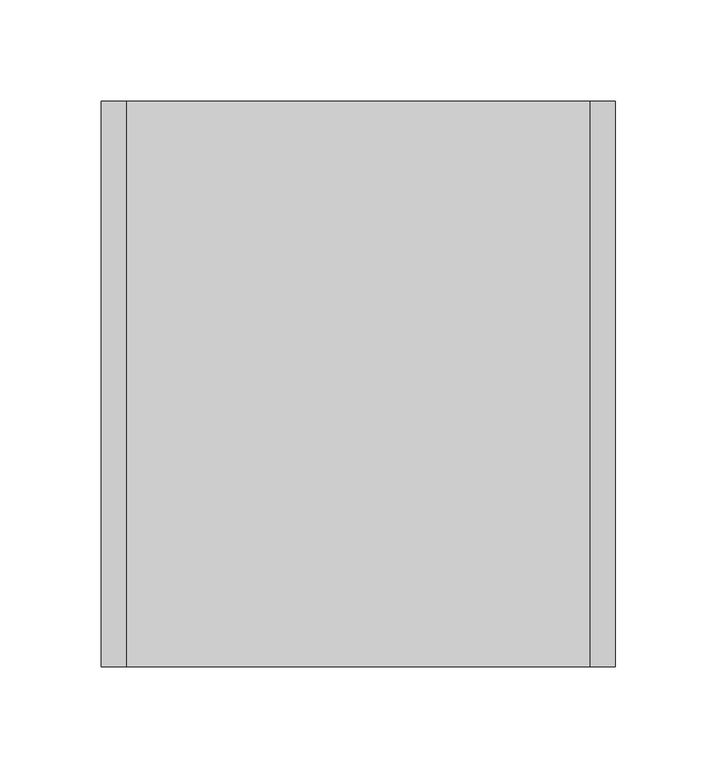
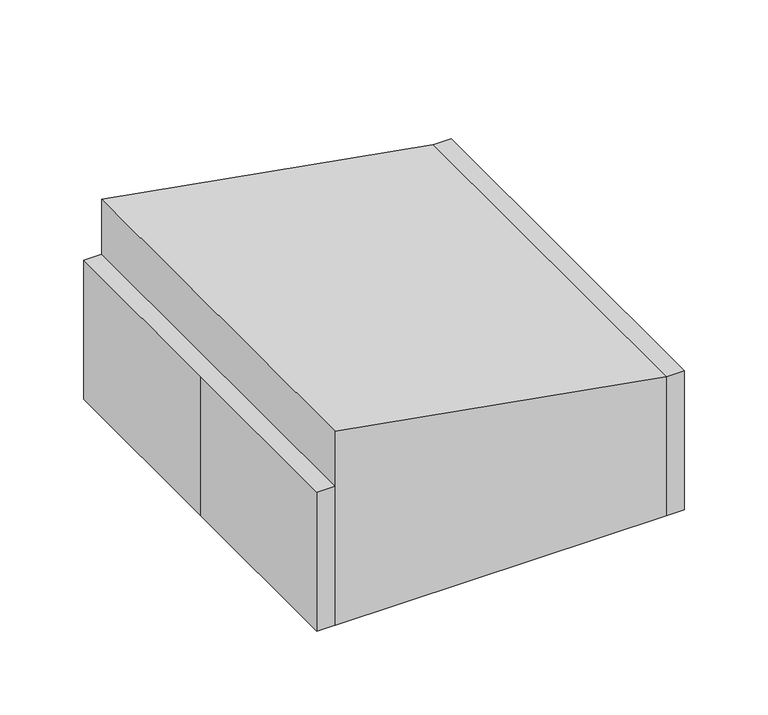
"""IFC4 building model written with IfcOpenShell, lengths in millimetres: proxy geometry."""

from ifc_helpers import new_model, si_unit, frame, origin, origin_with_axes, place, context, project, spatial, polyline, outline, extrude, source, transform, mapped, element, save


def specialty_equipment_730b47bf(model_context):
    return source(origin(), model_context, "Body", "SweptSolid", [
        extrude(outline(polyline([(101.6, 114.3), (141.9083478, -114.3), (0.0, -114.3), (0.0, 114.3), (101.6, 114.3)])), frame((0.0, -139.7, 0.0), z_axis=(0.0, 1.0, 0.0), x_axis=(0.0, 0.0, 1.0)), (0.0, 0.0, 1.0), 279.4),
        extrude(outline(polyline([(-127.0, 139.7), (127.0, 139.7), (127.0, -139.7), (-127.0, -139.7), (-127.0, 0.0), (-127.0, 139.7)])), origin_with_axes(), (0.0, 0.0, 1.0), 101.6),
    ])


if __name__ == "__main__":
    model = new_model("IFC4")
    model_context = context("Model", 3, world=origin())
    ifc_project = project(units=[si_unit("LENGTHUNIT", "METRE", prefix="MILLI")], contexts=[model_context])
    site = spatial("IfcSite", under=ifc_project)
    building = spatial("IfcBuilding", under=site)
    placement = place(None, origin())
    specialty_equipment_shape = specialty_equipment_730b47bf(model_context)
    element("IfcBuildingElementProxy", 1, Name="Specialty Equipment", at=placement, inside=building, context=model_context, shape_type="MappedRepresentation", body=[
        mapped(specialty_equipment_shape, transform((0.0, 0.0, 0.0), x_axis=(1.0, 0.0, 0.0), y_axis=(0.0, 1.0, 0.0), z_axis=(0.0, 0.0, 1.0))),
    ])
    save(model, "model.ifc")
